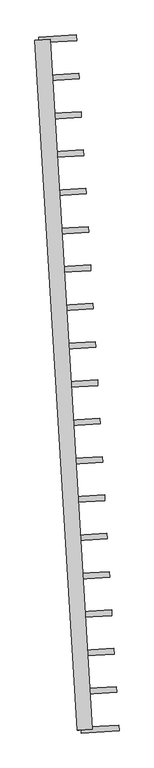
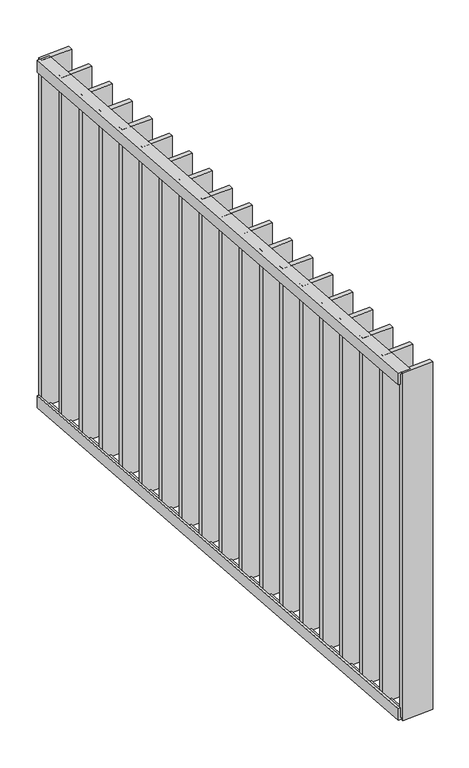
"""IFC4 building model written with IfcOpenShell, lengths in millimetres: railing geometry."""

from ifc_helpers import new_model, si_unit, frame, origin, place, context, project, spatial, polyline, outline, extrude, source, transform, mapped, element, save


def railing_a4867183(model_context):
    return source(origin(), model_context, "Body", "SweptSolid", [
        extrude(outline(polyline([(-14.0, 6.0), (20.0, 6.0), (20.0, 0.0), (-20.0, 0.0), (-20.0, 40.0), (-14.0, 40.0), (-14.0, 6.0)])), frame((30138.8530496, 19438.8704533, 8000.0), z_axis=(-0.061048539537379314, 0.9981347984217127, 0.0), x_axis=(0.9981347984217127, 0.061048539537379314, 0.0)), (0.0, 0.0, 1.0), 1820.0),
        extrude(outline(polyline([(-14.0, -6.0), (-14.0, -40.0), (-20.0, -40.0), (-20.0, 0.0), (20.0, 0.0), (20.0, -6.0), (-14.0, -6.0)])), frame((30138.8530496, 19438.8704533, 6820.0), z_axis=(-0.061048539537379314, 0.9981347984217127, 0.0), x_axis=(0.9981347984217127, 0.061048539537379314, 0.0)), (0.0, 0.0, 1.0), 1820.0),
        extrude(outline(polyline([(30024.3939094, 21146.4567715), (30023.4781813, 21161.4287935), (30123.2916611, 21167.5336474), (30124.2073892, 21152.5616255), (30024.3939094, 21146.4567715)])), frame((0.0, 0.0, 6819.9), z_axis=(0.0, 0.0, 1.0), x_axis=(1.0, 0.0, 0.0)), (0.0, 0.0, 1.0), 1180.2),
        extrude(outline(polyline([(30030.566595, 21045.534253), (30029.650867, 21060.506275), (30129.4643468, 21066.6111289), (30130.3800749, 21051.639107), (30030.566595, 21045.534253)])), frame((0.0, 0.0, 6819.9), z_axis=(0.0, 0.0, 1.0), x_axis=(1.0, 0.0, 0.0)), (0.0, 0.0, 1.0), 1180.2),
        extrude(outline(polyline([(30036.7392807, 20944.6117345), (30035.8235526, 20959.5837565), (30135.6370325, 20965.6886104), (30136.5527606, 20950.7165885), (30036.7392807, 20944.6117345)])), frame((0.0, 0.0, 6819.9), z_axis=(0.0, 0.0, 1.0), x_axis=(1.0, 0.0, 0.0)), (0.0, 0.0, 1.0), 1180.2),
        extrude(outline(polyline([(30042.9119664, 20843.689216), (30041.9962383, 20858.661238), (30141.8097181, 20864.7660919), (30142.7254462, 20849.7940699), (30042.9119664, 20843.689216)])), frame((0.0, 0.0, 6819.9), z_axis=(0.0, 0.0, 1.0), x_axis=(1.0, 0.0, 0.0)), (0.0, 0.0, 1.0), 1180.2),
        extrude(outline(polyline([(30049.084652, 20742.7666975), (30048.1689239, 20757.7387195), (30147.9824038, 20763.8435734), (30148.8981319, 20748.8715514), (30049.084652, 20742.7666975)])), frame((0.0, 0.0, 6819.9), z_axis=(0.0, 0.0, 1.0), x_axis=(1.0, 0.0, 0.0)), (0.0, 0.0, 1.0), 1180.2),
        extrude(outline(polyline([(30055.2573377, 20641.844179), (30054.3416096, 20656.816201), (30154.1550895, 20662.9210549), (30155.0708175, 20647.9490329), (30055.2573377, 20641.844179)])), frame((0.0, 0.0, 6819.9), z_axis=(0.0, 0.0, 1.0), x_axis=(1.0, 0.0, 0.0)), (0.0, 0.0, 1.0), 1180.2),
        extrude(outline(polyline([(30061.4300234, 20540.9216605), (30060.5142953, 20555.8936824), (30160.3277751, 20561.9985364), (30161.2435032, 20547.0265144), (30061.4300234, 20540.9216605)])), frame((0.0, 0.0, 6819.9), z_axis=(0.0, 0.0, 1.0), x_axis=(1.0, 0.0, 0.0)), (0.0, 0.0, 1.0), 1180.2),
        extrude(outline(polyline([(30067.602709, 20439.999142), (30066.6869809, 20454.9711639), (30166.5004608, 20461.0760179), (30167.4161889, 20446.1039959), (30067.602709, 20439.999142)])), frame((0.0, 0.0, 6819.9), z_axis=(0.0, 0.0, 1.0), x_axis=(1.0, 0.0, 0.0)), (0.0, 0.0, 1.0), 1180.2),
        extrude(outline(polyline([(30073.7753947, 20339.0766235), (30072.8596666, 20354.0486454), (30172.6731464, 20360.1534994), (30173.5888745, 20345.1814774), (30073.7753947, 20339.0766235)])), frame((0.0, 0.0, 6819.9), z_axis=(0.0, 0.0, 1.0), x_axis=(1.0, 0.0, 0.0)), (0.0, 0.0, 1.0), 1180.2),
        extrude(outline(polyline([(30079.9480804, 20238.154105), (30079.0323523, 20253.1261269), (30178.8458321, 20259.2309809), (30179.7615602, 20244.2589589), (30079.9480804, 20238.154105)])), frame((0.0, 0.0, 6819.9), z_axis=(0.0, 0.0, 1.0), x_axis=(1.0, 0.0, 0.0)), (0.0, 0.0, 1.0), 1180.2),
        extrude(outline(polyline([(30086.120766, 20137.2315864), (30085.2050379, 20152.2036084), (30185.0185178, 20158.3084624), (30185.9342459, 20143.3364404), (30086.120766, 20137.2315864)])), frame((0.0, 0.0, 6819.9), z_axis=(0.0, 0.0, 1.0), x_axis=(1.0, 0.0, 0.0)), (0.0, 0.0, 1.0), 1180.2),
        extrude(outline(polyline([(30092.2934517, 20036.3090679), (30091.3777236, 20051.2810899), (30191.1912034, 20057.3859439), (30192.1069315, 20042.4139219), (30092.2934517, 20036.3090679)])), frame((0.0, 0.0, 6819.9), z_axis=(0.0, 0.0, 1.0), x_axis=(1.0, 0.0, 0.0)), (0.0, 0.0, 1.0), 1180.2),
        extrude(outline(polyline([(30098.4661374, 19935.3865494), (30097.5504093, 19950.3585714), (30197.3638891, 19956.4634254), (30198.2796172, 19941.4914034), (30098.4661374, 19935.3865494)])), frame((0.0, 0.0, 6819.9), z_axis=(0.0, 0.0, 1.0), x_axis=(1.0, 0.0, 0.0)), (0.0, 0.0, 1.0), 1180.2),
        extrude(outline(polyline([(30104.638823, 19834.4640309), (30103.7230949, 19849.4360529), (30203.5365748, 19855.5409069), (30204.4523029, 19840.5688849), (30104.638823, 19834.4640309)])), frame((0.0, 0.0, 6819.9), z_axis=(0.0, 0.0, 1.0), x_axis=(1.0, 0.0, 0.0)), (0.0, 0.0, 1.0), 1180.2),
        extrude(outline(polyline([(30110.8115087, 19733.5415124), (30109.8957806, 19748.5135344), (30209.7092604, 19754.6183883), (30210.6249885, 19739.6463664), (30110.8115087, 19733.5415124)])), frame((0.0, 0.0, 6819.9), z_axis=(0.0, 0.0, 1.0), x_axis=(1.0, 0.0, 0.0)), (0.0, 0.0, 1.0), 1180.2),
        extrude(outline(polyline([(30116.9841943, 19632.6189939), (30116.0684663, 19647.5910159), (30215.8819461, 19653.6958698), (30216.7976742, 19638.7238479), (30116.9841943, 19632.6189939)])), frame((0.0, 0.0, 6819.9), z_axis=(0.0, 0.0, 1.0), x_axis=(1.0, 0.0, 0.0)), (0.0, 0.0, 1.0), 1180.2),
        extrude(outline(polyline([(30123.15688, 19531.6964754), (30122.2411519, 19546.6684974), (30222.0546318, 19552.7733513), (30222.9703599, 19537.8013294), (30123.15688, 19531.6964754)])), frame((0.0, 0.0, 6819.9), z_axis=(0.0, 0.0, 1.0), x_axis=(1.0, 0.0, 0.0)), (0.0, 0.0, 1.0), 1180.2),
        extrude(outline(polyline([(30018.2212237, 21247.37929), (30017.3054956, 21262.351312), (30117.1189755, 21268.456166), (30118.0347036, 21253.484144), (30018.2212237, 21247.37929)])), frame((0.0, 0.0, 6819.9), z_axis=(0.0, 0.0, 1.0), x_axis=(1.0, 0.0, 0.0)), (0.0, 0.0, 1.0), 1180.2),
        extrude(outline(polyline([(30129.3295657, 19430.7739569), (30128.4138376, 19445.7459789), (30228.2273174, 19451.8508328), (30229.1430455, 19436.8788108), (30129.3295657, 19430.7739569)])), frame((0.0, 0.0, 6819.9), z_axis=(0.0, 0.0, 1.0), x_axis=(1.0, 0.0, 0.0)), (0.0, 0.0, 1.0), 1180.2),
    ])


if __name__ == "__main__":
    model = new_model("IFC4")
    model_context = context("Model", 3, world=origin())
    ifc_project = project(units=[si_unit("LENGTHUNIT", "METRE", prefix="MILLI")], contexts=[model_context])
    site = spatial("IfcSite", under=ifc_project)
    building = spatial("IfcBuilding", under=site)
    placement = place(None, origin())
    railing_shape = railing_a4867183(model_context)
    element("IfcRailing", 1, at=placement, inside=building, context=model_context, shape_type="MappedRepresentation", body=[
        mapped(railing_shape, transform((0.0, 0.0, 0.0), x_axis=(1.0, 0.0, 0.0), y_axis=(0.0, 1.0, 0.0), z_axis=(0.0, 0.0, 1.0))),
    ])
    save(model, "model.ifc")
